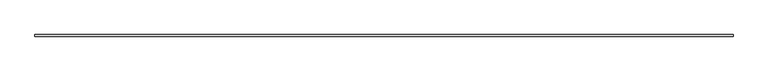
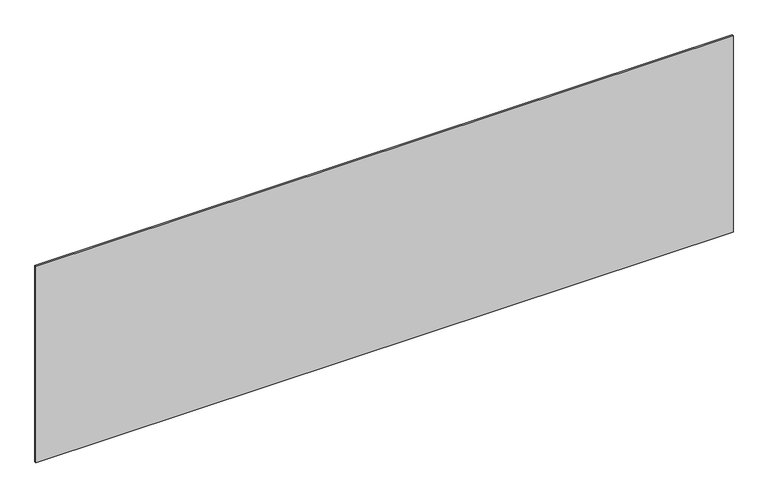
"""IFC4 building model written with IfcOpenShell, lengths in millimetres: plate geometry."""

from ifc_helpers import new_model, si_unit, origin, origin_with_axes, place, context, project, spatial, polyline, outline, extrude, source, transform, mapped, element, save


def plate_e2205a2a(model_context):
    return source(origin(), model_context, "Body", "SweptSolid", [
        extrude(outline(polyline([(2189.1666667, -5.0), (-2189.1666667, -5.0), (-2189.1666667, 5.0), (2189.1666667, 5.0), (2189.1666667, -5.0)])), origin_with_axes(), (0.0, 0.0, 1.0), 1304.0022559),
    ])


if __name__ == "__main__":
    model = new_model("IFC4")
    model_context = context("Model", 3, world=origin())
    ifc_project = project(units=[si_unit("LENGTHUNIT", "METRE", prefix="MILLI")], contexts=[model_context])
    site = spatial("IfcSite", under=ifc_project)
    building = spatial("IfcBuilding", under=site)
    placement = place(None, origin())
    plate_shape = plate_e2205a2a(model_context)
    element("IfcPlate", 1, at=placement, inside=building, context=model_context, shape_type="MappedRepresentation", body=[
        mapped(plate_shape, transform((0.0, 0.0, 0.0), x_axis=(1.0, 0.0, 0.0), y_axis=(0.0, 1.0, 0.0), z_axis=(0.0, 0.0, 1.0))),
    ])
    save(model, "model.ifc")
